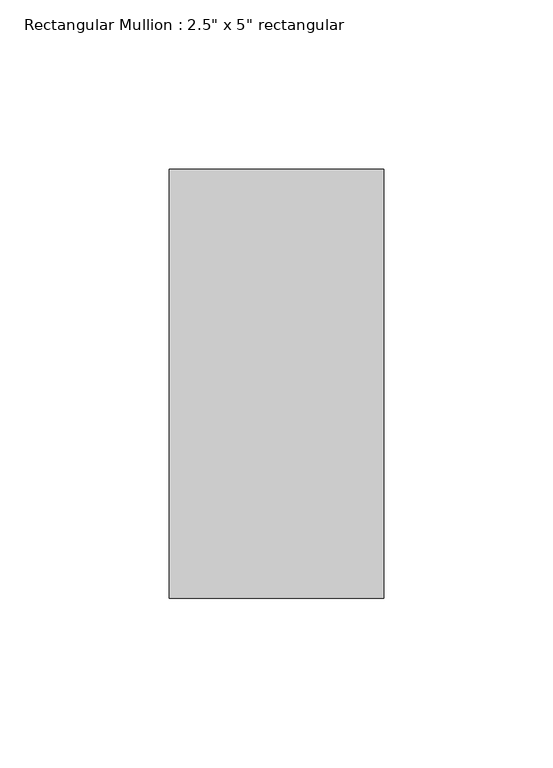
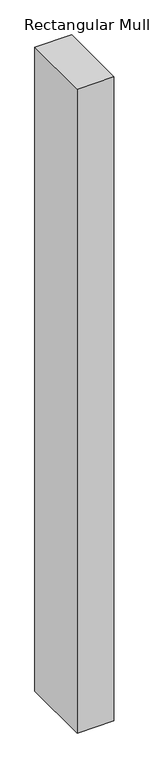
"""IFC4 building model written with IfcOpenShell, lengths in millimetres: member geometry."""

import ifcopenshell
import ifcopenshell.guid

model = None  # the IFC model being written
_history = None  # IfcOwnerHistory: only IFC2X3 demands one
_inside = {}  # id of a spatial element -> (the spatial element, [elements in it])
_under = {}  # id of a project, library or spatial element -> (it, [spatial elements below it])
_declared = {}  # id of a project -> (the project, [libraries it declares])
_typed = {}  # id of a type object -> (the type object, [elements of that type])
_made_of = {}  # id of a material, layer set ... -> (it, [elements and type objects made of it])


def new_model(schema):
    """Start an empty IFC model of exactly this schema.

    Asked for "IFC4X3", IfcOpenShell would pick the latest addendum, in which some entities
    have other attributes; the version numbers below select the first issue.
    IFC2X3 requires an IfcOwnerHistory on every rooted entity: one is made here for all.
    """
    global model, _history
    if schema == "IFC4X3":
        model = ifcopenshell.file(schema_version=(4, 3, 0, 0))
    else:
        model = ifcopenshell.file(schema=schema)
    _inside.clear()
    _under.clear()
    _declared.clear()
    _typed.clear()
    _made_of.clear()
    _history = None
    if model.schema == "IFC2X3":
        org = make("IfcOrganization", Name="unknown")
        user = make(
            "IfcPersonAndOrganization",
            ThePerson=make("IfcPerson", FamilyName="unknown"),
            TheOrganization=org,
        )
        app = make(
            "IfcApplication",
            ApplicationDeveloper=org,
            Version="unknown",
            ApplicationFullName="unknown",
            ApplicationIdentifier="unknown",
        )
        _history = make(
            "IfcOwnerHistory",
            OwningUser=user,
            OwningApplication=app,
            ChangeAction="ADDED",
            CreationDate=0,
        )
    return model


def make(cls, **values):
    """One entity of the class cls with the attributes given. An attribute that is None is left unset."""
    return model.create_entity(
        cls, **{name: value for name, value in values.items() if value is not None}
    )


def rooted(cls, **values):
    """An entity with a GlobalId (a new one), such as an element, a storey or a relation."""
    return make(cls, GlobalId=ifcopenshell.guid.new(), OwnerHistory=_history, **values)


def si_unit(unit_type, name, prefix=None):
    """IfcSIUnit, for example si_unit("LENGTHUNIT", "METRE", prefix="MILLI")."""
    return make("IfcSIUnit", UnitType=unit_type, Prefix=prefix, Name=name)


def assignment(units):
    """IfcUnitAssignment: the units of a project."""
    return None if units is None else make("IfcUnitAssignment", Units=units)


def point(xyz):
    """IfcCartesianPoint."""
    return None if xyz is None else make("IfcCartesianPoint", Coordinates=xyz)


def direction(xyz):
    """IfcDirection."""
    return None if xyz is None else make("IfcDirection", DirectionRatios=xyz)


def frame(location, z_axis=None, x_axis=None):
    """IfcAxis2Placement3D, a coordinate frame: its origin and axes. An axis left out is left unset."""
    return make(
        "IfcAxis2Placement3D",
        Location=point(location),
        Axis=direction(z_axis),
        RefDirection=direction(x_axis),
    )


def origin():
    """The frame at (0, 0, 0) with its axes left unset."""
    return frame((0.0, 0.0, 0.0))


def place(relative_to, where):
    """IfcLocalPlacement: puts the frame where relative to a parent placement (None: the world)."""
    return make(
        "IfcLocalPlacement", PlacementRelTo=relative_to, RelativePlacement=where
    )


def context(
    kind, dimensions, precision=None, world=None, true_north=None, identifier=None
):
    """IfcGeometricRepresentationContext, for example the 3D "Model" context."""
    return make(
        "IfcGeometricRepresentationContext",
        ContextIdentifier=identifier,
        ContextType=kind,
        CoordinateSpaceDimension=dimensions,
        Precision=precision,
        WorldCoordinateSystem=world,
        TrueNorth=true_north,
    )


def project(units=None, contexts=None):
    """IfcProject with its units and contexts."""
    return rooted(
        "IfcProject",
        Name="project",
        RepresentationContexts=contexts,
        UnitsInContext=assignment(units),
    )


def spatial(cls, under=None, at=None, **own):
    """A site, building, storey or space (cls), placed at a placement, below another one or the project."""
    s = rooted(cls, ObjectPlacement=at, **own)
    if under is not None:
        _under.setdefault(under.id(), (under, []))[1].append(s)
    return s


def polyline(points):
    """IfcPolyline through the points."""
    return make("IfcPolyline", Points=[point(p) for p in points])


def outline(outer, holes=None, kind="AREA"):
    """IfcArbitraryClosedProfileDef: a profile drawn as a closed curve; with holes, ...WithVoids."""
    if holes is None:
        return make("IfcArbitraryClosedProfileDef", ProfileType=kind, OuterCurve=outer)
    return make(
        "IfcArbitraryProfileDefWithVoids",
        ProfileType=kind,
        OuterCurve=outer,
        InnerCurves=holes,
    )


def extrude(swept, where, along, depth):
    """IfcExtrudedAreaSolid: the profile swept, set in the frame where, extruded along a direction by depth."""
    return make(
        "IfcExtrudedAreaSolid",
        SweptArea=swept,
        Position=where,
        ExtrudedDirection=direction(along),
        Depth=depth,
    )


def shape(context_of_items, identifier, shape_type, items):
    """IfcShapeRepresentation: the items that make up one representation, for example the "Body"."""
    return make(
        "IfcShapeRepresentation",
        ContextOfItems=context_of_items,
        RepresentationIdentifier=identifier,
        RepresentationType=shape_type,
        Items=items,
    )


def source(mapping_origin, context_of_items, identifier, shape_type, items):
    """IfcRepresentationMap: a shape defined once, which mapped items show again and again."""
    return make(
        "IfcRepresentationMap",
        MappingOrigin=mapping_origin,
        MappedRepresentation=shape(context_of_items, identifier, shape_type, items),
    )


def transform(
    local_origin,
    x_axis=None,
    y_axis=None,
    z_axis=None,
    scale=None,
    scale2=None,
    scale3=None,
    uniform=True,
):
    """IfcCartesianTransformationOperator3D, or its non-uniform kind. x_axis, y_axis, z_axis: its Axis1, 2, 3."""
    if uniform:
        return make(
            "IfcCartesianTransformationOperator3D",
            Axis1=direction(x_axis),
            Axis2=direction(y_axis),
            LocalOrigin=point(local_origin),
            Scale=scale,
            Axis3=direction(z_axis),
        )
    return make(
        "IfcCartesianTransformationOperator3DnonUniform",
        Axis1=direction(x_axis),
        Axis2=direction(y_axis),
        LocalOrigin=point(local_origin),
        Scale=scale,
        Axis3=direction(z_axis),
        Scale2=scale2,
        Scale3=scale3,
    )


def mapped(mapping_source, mapping_target):
    """IfcMappedItem: shows the shape of a source again, moved by a transform."""
    return make(
        "IfcMappedItem", MappingSource=mapping_source, MappingTarget=mapping_target
    )


def made_of(thing, what):
    """Note that an element or type object is made of a material, layer set ...; save() writes the relation."""
    if what is not None:
        _made_of.setdefault(what.id(), (what, []))[1].append(thing)
    return thing


def element(
    cls,
    number,
    at=None,
    inside=None,
    cuts=None,
    type_object=None,
    material=None,
    context=None,
    identifier="Body",
    shape_type=None,
    held_by="IfcProductDefinitionShape",
    body=None,
    shapes=None,
    **own,
):
    """One element of the class cls, such as IfcWall. Its Tag is "e" and its number.

    at: its placement. inside: the storey or other place that contains it. cuts: it is an
    opening in that element (IfcRelVoidsElement). A single representation is given by context,
    identifier, shape_type and body (its items); several are given by shapes. held_by: the class
    of the entity that holds the representations. save() writes the other relations.
    """
    e = rooted(cls, Tag="e%d" % number, ObjectPlacement=at, **own)
    if body is not None:
        shapes = [shape(context, identifier, shape_type, body)]
    if shapes is not None:
        e.Representation = make(held_by, Representations=shapes)
    if inside is not None:
        _inside.setdefault(inside.id(), (inside, []))[1].append(e)
    if cuts is not None:
        rooted(
            "IfcRelVoidsElement", RelatingBuildingElement=cuts, RelatedOpeningElement=e
        )
    if type_object is not None:
        _typed.setdefault(type_object.id(), (type_object, []))[1].append(e)
    return made_of(e, material)


def aggregate(whole, parts):
    """IfcRelAggregates: a whole, such as a stair, and the parts it consists of."""
    return rooted("IfcRelAggregates", RelatingObject=whole, RelatedObjects=parts)


def save(model, path):
    """Write the relations noted so far, then the file.

    IfcRelAggregates (storeys below a building ...), IfcRelContainedInSpatialStructure (elements
    in a storey), IfcRelDefinesByType, IfcRelAssociatesMaterial and IfcRelDeclares: one each for
    every whole, place, type object, material and project.
    """
    for whole, parts in _under.values():
        aggregate(whole, parts)
    for where, things in _inside.values():
        rooted(
            "IfcRelContainedInSpatialStructure",
            RelatedElements=things,
            RelatingStructure=where,
        )
    for kind, things in _typed.values():
        rooted("IfcRelDefinesByType", RelatedObjects=things, RelatingType=kind)
    for what, things in _made_of.values():
        rooted("IfcRelAssociatesMaterial", RelatedObjects=things, RelatingMaterial=what)
    for by, libraries in _declared.values():
        rooted("IfcRelDeclares", RelatingContext=by, RelatedDefinitions=libraries)
    model.write(path)


def member_7fa784be(model_context):
    return source(origin(), model_context, "Body", "SweptSolid", [
        extrude(outline(polyline([(0.0, 63.5), (0.0, -63.5), (-63.5, -63.5), (-63.5, 63.5), (0.0, 63.5)])), frame((0.0, 0.0, -1180.7150757), z_axis=(0.0, 0.0, 1.0), x_axis=(1.0, 0.0, 0.0)), (0.0, 0.0, 1.0), 1180.7150757),
    ])


if __name__ == "__main__":
    model = new_model("IFC4")
    model_context = context("Model", 3, world=origin())
    ifc_project = project(units=[si_unit("LENGTHUNIT", "METRE", prefix="MILLI")], contexts=[model_context])
    site = spatial("IfcSite", under=ifc_project)
    building = spatial("IfcBuilding", under=site)
    placement = place(None, origin())
    member_shape = member_7fa784be(model_context)
    element("IfcMember", 1, ObjectType="Rectangular Mullion : 2.5\" x 5\" rectangular", at=placement, inside=building, context=model_context, shape_type="MappedRepresentation", body=[
        mapped(member_shape, transform((0.0, 0.0, 0.0), x_axis=(1.0, 0.0, 0.0), y_axis=(0.0, 1.0, 0.0), z_axis=(0.0, 0.0, 1.0))),
    ])
    save(model, "model.ifc")
